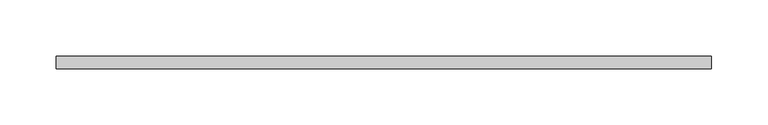
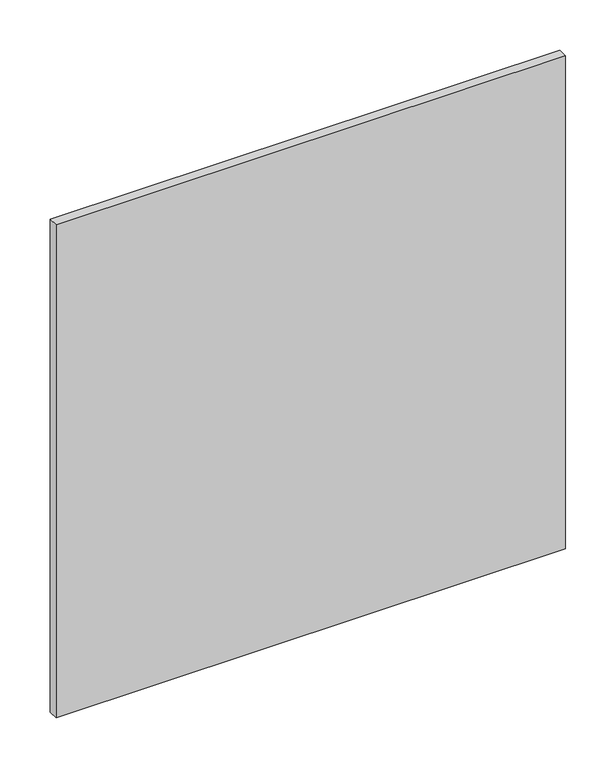
"""IFC4 building model written with IfcOpenShell, lengths in millimetres: proxy geometry."""

from ifc_helpers import new_model, si_unit, origin, origin_with_axes, place, context, project, spatial, polyline, outline, extrude, source, transform, mapped, element, save


def entourage_52df89d6(model_context):
    return source(origin(), model_context, "Body", "SweptSolid", [
        extrude(outline(polyline([(511.0757813, 3.175), (511.0757813, -7.9375), (-73.025, -7.9375), (-73.025, 3.175), (511.0757813, 3.175)])), origin_with_axes(), (0.0, 0.0, 1.0), 596.7015625),
    ])


if __name__ == "__main__":
    model = new_model("IFC4")
    model_context = context("Model", 3, world=origin())
    ifc_project = project(units=[si_unit("LENGTHUNIT", "METRE", prefix="MILLI")], contexts=[model_context])
    site = spatial("IfcSite", under=ifc_project)
    building = spatial("IfcBuilding", under=site)
    placement = place(None, origin())
    entourage_shape = entourage_52df89d6(model_context)
    element("IfcBuildingElementProxy", 1, Name="Entourage", at=placement, inside=building, context=model_context, shape_type="MappedRepresentation", body=[
        mapped(entourage_shape, transform((0.0, 0.0, 0.0), x_axis=(1.0, 0.0, 0.0), y_axis=(0.0, 1.0, 0.0), z_axis=(0.0, 0.0, 1.0))),
    ])
    save(model, "model.ifc")
